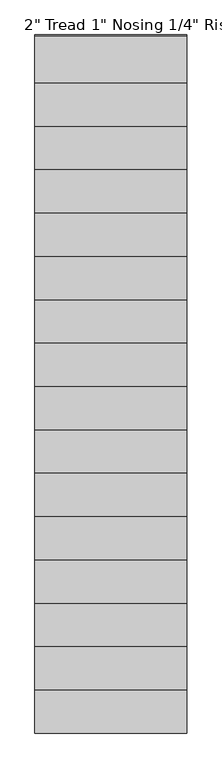
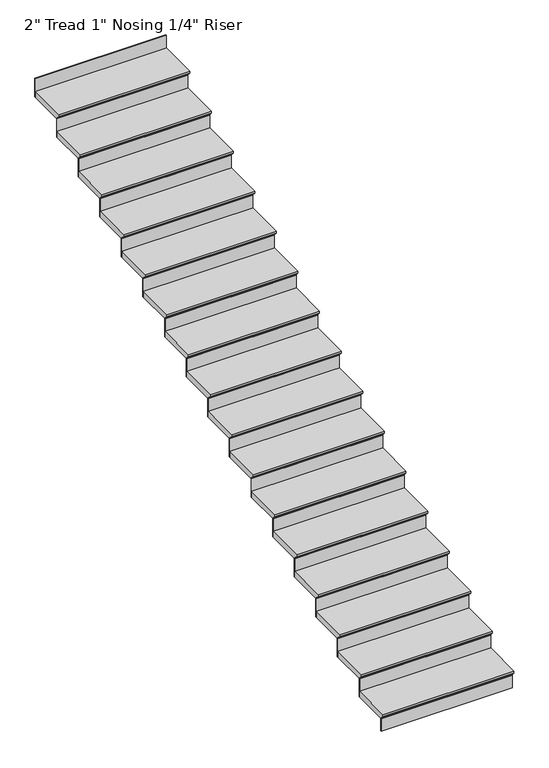
"""IFC4 building model written with IfcOpenShell, lengths in millimetres: stair flight geometry."""

from ifc_helpers import new_model, si_unit, frame, origin, origin_with_axes, place, context, project, spatial, polyline, outline, extrude, source, transform, mapped, element, save


def stair_flight_805ff82e(model_context):
    return source(origin(), model_context, "Body", "SweptSolid", [
        extrude(outline(polyline([(2301.2531107, 159.4555556), (2631.4531107, 159.4555556), (2631.4531107, 108.6555556), (2326.6531107, 108.6555556), (2326.6531107, 115.0055556), (2301.2531107, 140.4055556), (2301.2531107, 159.4555556)])), frame((33581.6811148, 0.0, 0.0), z_axis=(1.0, 0.0, 0.0), x_axis=(0.0, 1.0, 0.0)), (0.0, 0.0, 1.0), 1066.8),
        extrude(outline(polyline([(34648.4811148, 2333.0031107), (34648.4811148, 2326.6531107), (33581.6811148, 2326.6531107), (33581.6811148, 2333.0031107), (34648.4811148, 2333.0031107)])), origin_with_axes(), (0.0, 0.0, 1.0), 108.6555556),
        extrude(outline(polyline([(34648.4811148, 2637.8031107), (34648.4811148, 2631.4531107), (33581.6811148, 2631.4531107), (33581.6811148, 2637.8031107), (34648.4811148, 2637.8031107)])), frame((0.0, 0.0, 108.6555556), z_axis=(0.0, 0.0, 1.0), x_axis=(1.0, 0.0, 0.0)), (0.0, 0.0, 1.0), 159.4555556),
        extrude(outline(polyline([(2606.0531107, 318.9111111), (2936.2531107, 318.9111111), (2936.2531107, 268.1111111), (2631.4531107, 268.1111111), (2631.4531107, 274.4611111), (2606.0531107, 299.8611111), (2606.0531107, 318.9111111)])), frame((33581.6811148, 0.0, 0.0), z_axis=(1.0, 0.0, 0.0), x_axis=(0.0, 1.0, 0.0)), (0.0, 0.0, 1.0), 1066.8),
        extrude(outline(polyline([(34648.4811148, 2942.6031107), (34648.4811148, 2936.2531107), (33581.6811148, 2936.2531107), (33581.6811148, 2942.6031107), (34648.4811148, 2942.6031107)])), frame((0.0, 0.0, 268.1111111), z_axis=(0.0, 0.0, 1.0), x_axis=(1.0, 0.0, 0.0)), (0.0, 0.0, 1.0), 159.4555556),
        extrude(outline(polyline([(2910.8531107, 478.3666667), (3241.0531107, 478.3666667), (3241.0531107, 427.5666667), (2936.2531107, 427.5666667), (2936.2531107, 433.9166667), (2910.8531107, 459.3166667), (2910.8531107, 478.3666667)])), frame((33581.6811148, 0.0, 0.0), z_axis=(1.0, 0.0, 0.0), x_axis=(0.0, 1.0, 0.0)), (0.0, 0.0, 1.0), 1066.8),
        extrude(outline(polyline([(34648.4811148, 3247.4031107), (34648.4811148, 3241.0531107), (33581.6811148, 3241.0531107), (33581.6811148, 3247.4031107), (34648.4811148, 3247.4031107)])), frame((0.0, 0.0, 427.5666667), z_axis=(0.0, 0.0, 1.0), x_axis=(1.0, 0.0, 0.0)), (0.0, 0.0, 1.0), 159.4555556),
        extrude(outline(polyline([(3215.6531107, 637.8222222), (3545.8531107, 637.8222222), (3545.8531107, 587.0222222), (3241.0531107, 587.0222222), (3241.0531107, 593.3722222), (3215.6531107, 618.7722222), (3215.6531107, 637.8222222)])), frame((33581.6811148, 0.0, 0.0), z_axis=(1.0, 0.0, 0.0), x_axis=(0.0, 1.0, 0.0)), (0.0, 0.0, 1.0), 1066.8),
        extrude(outline(polyline([(34648.4811148, 3552.2031107), (34648.4811148, 3545.8531107), (33581.6811148, 3545.8531107), (33581.6811148, 3552.2031107), (34648.4811148, 3552.2031107)])), frame((0.0, 0.0, 587.0222222), z_axis=(0.0, 0.0, 1.0), x_axis=(1.0, 0.0, 0.0)), (0.0, 0.0, 1.0), 159.4555556),
        extrude(outline(polyline([(3520.4531107, 797.2777778), (3850.6531107, 797.2777778), (3850.6531107, 746.4777778), (3545.8531107, 746.4777778), (3545.8531107, 752.8277778), (3520.4531107, 778.2277778), (3520.4531107, 797.2777778)])), frame((33581.6811148, 0.0, 0.0), z_axis=(1.0, 0.0, 0.0), x_axis=(0.0, 1.0, 0.0)), (0.0, 0.0, 1.0), 1066.8),
        extrude(outline(polyline([(34648.4811148, 3857.0031107), (34648.4811148, 3850.6531107), (33581.6811148, 3850.6531107), (33581.6811148, 3857.0031107), (34648.4811148, 3857.0031107)])), frame((0.0, 0.0, 746.4777778), z_axis=(0.0, 0.0, 1.0), x_axis=(1.0, 0.0, 0.0)), (0.0, 0.0, 1.0), 159.4555556),
        extrude(outline(polyline([(3825.2531107, 956.7333333), (4155.4531107, 956.7333333), (4155.4531107, 905.9333333), (3850.6531107, 905.9333333), (3850.6531107, 912.2833333), (3825.2531107, 937.6833333), (3825.2531107, 956.7333333)])), frame((33581.6811148, 0.0, 0.0), z_axis=(1.0, 0.0, 0.0), x_axis=(0.0, 1.0, 0.0)), (0.0, 0.0, 1.0), 1066.8),
        extrude(outline(polyline([(34648.4811148, 4161.8031107), (34648.4811148, 4155.4531107), (33581.6811148, 4155.4531107), (33581.6811148, 4161.8031107), (34648.4811148, 4161.8031107)])), frame((0.0, 0.0, 905.9333333), z_axis=(0.0, 0.0, 1.0), x_axis=(1.0, 0.0, 0.0)), (0.0, 0.0, 1.0), 159.4555556),
        extrude(outline(polyline([(4130.0531107, 1116.1888889), (4460.2531107, 1116.1888889), (4460.2531107, 1065.3888889), (4155.4531107, 1065.3888889), (4155.4531107, 1071.7388889), (4130.0531107, 1097.1388889), (4130.0531107, 1116.1888889)])), frame((33581.6811148, 0.0, 0.0), z_axis=(1.0, 0.0, 0.0), x_axis=(0.0, 1.0, 0.0)), (0.0, 0.0, 1.0), 1066.8),
        extrude(outline(polyline([(34648.4811148, 4466.6031107), (34648.4811148, 4460.2531107), (33581.6811148, 4460.2531107), (33581.6811148, 4466.6031107), (34648.4811148, 4466.6031107)])), frame((0.0, 0.0, 1065.3888889), z_axis=(0.0, 0.0, 1.0), x_axis=(1.0, 0.0, 0.0)), (0.0, 0.0, 1.0), 159.4555556),
        extrude(outline(polyline([(4434.8531107, 1275.6444444), (4765.0531107, 1275.6444444), (4765.0531107, 1224.8444444), (4460.2531107, 1224.8444444), (4460.2531107, 1231.1944444), (4434.8531107, 1256.5944444), (4434.8531107, 1275.6444444)])), frame((33581.6811148, 0.0, 0.0), z_axis=(1.0, 0.0, 0.0), x_axis=(0.0, 1.0, 0.0)), (0.0, 0.0, 1.0), 1066.8),
        extrude(outline(polyline([(34648.4811148, 4771.4031107), (34648.4811148, 4765.0531107), (33581.6811148, 4765.0531107), (33581.6811148, 4771.4031107), (34648.4811148, 4771.4031107)])), frame((0.0, 0.0, 1224.8444444), z_axis=(0.0, 0.0, 1.0), x_axis=(1.0, 0.0, 0.0)), (0.0, 0.0, 1.0), 159.4555556),
        extrude(outline(polyline([(4739.6531107, 1435.1), (5069.8531107, 1435.1), (5069.8531107, 1384.3), (4765.0531107, 1384.3), (4765.0531107, 1390.65), (4739.6531107, 1416.05), (4739.6531107, 1435.1)])), frame((33581.6811148, 0.0, 0.0), z_axis=(1.0, 0.0, 0.0), x_axis=(0.0, 1.0, 0.0)), (0.0, 0.0, 1.0), 1066.8),
        extrude(outline(polyline([(34648.4811148, 5076.2031107), (34648.4811148, 5069.8531107), (33581.6811148, 5069.8531107), (33581.6811148, 5076.2031107), (34648.4811148, 5076.2031107)])), frame((0.0, 0.0, 1384.3), z_axis=(0.0, 0.0, 1.0), x_axis=(1.0, 0.0, 0.0)), (0.0, 0.0, 1.0), 159.4555556),
        extrude(outline(polyline([(5044.4531107, 1594.5555556), (5374.6531107, 1594.5555556), (5374.6531107, 1543.7555556), (5069.8531107, 1543.7555556), (5069.8531107, 1550.1055556), (5044.4531107, 1575.5055556), (5044.4531107, 1594.5555556)])), frame((33581.6811148, 0.0, 0.0), z_axis=(1.0, 0.0, 0.0), x_axis=(0.0, 1.0, 0.0)), (0.0, 0.0, 1.0), 1066.8),
        extrude(outline(polyline([(34648.4811148, 5381.0031107), (34648.4811148, 5374.6531107), (33581.6811148, 5374.6531107), (33581.6811148, 5381.0031107), (34648.4811148, 5381.0031107)])), frame((0.0, 0.0, 1543.7555556), z_axis=(0.0, 0.0, 1.0), x_axis=(1.0, 0.0, 0.0)), (0.0, 0.0, 1.0), 159.4555556),
        extrude(outline(polyline([(5349.2531107, 1754.0111111), (5679.4531107, 1754.0111111), (5679.4531107, 1703.2111111), (5374.6531107, 1703.2111111), (5374.6531107, 1709.5611111), (5349.2531107, 1734.9611111), (5349.2531107, 1754.0111111)])), frame((33581.6811148, 0.0, 0.0), z_axis=(1.0, 0.0, 0.0), x_axis=(0.0, 1.0, 0.0)), (0.0, 0.0, 1.0), 1066.8),
        extrude(outline(polyline([(34648.4811148, 5685.8031107), (34648.4811148, 5679.4531107), (33581.6811148, 5679.4531107), (33581.6811148, 5685.8031107), (34648.4811148, 5685.8031107)])), frame((0.0, 0.0, 1703.2111111), z_axis=(0.0, 0.0, 1.0), x_axis=(1.0, 0.0, 0.0)), (0.0, 0.0, 1.0), 159.4555556),
        extrude(outline(polyline([(5654.0531107, 1913.4666667), (5984.2531107, 1913.4666667), (5984.2531107, 1862.6666667), (5679.4531107, 1862.6666667), (5679.4531107, 1869.0166667), (5654.0531107, 1894.4166667), (5654.0531107, 1913.4666667)])), frame((33581.6811148, 0.0, 0.0), z_axis=(1.0, 0.0, 0.0), x_axis=(0.0, 1.0, 0.0)), (0.0, 0.0, 1.0), 1066.8),
        extrude(outline(polyline([(34648.4811148, 5990.6031107), (34648.4811148, 5984.2531107), (33581.6811148, 5984.2531107), (33581.6811148, 5990.6031107), (34648.4811148, 5990.6031107)])), frame((0.0, 0.0, 1862.6666667), z_axis=(0.0, 0.0, 1.0), x_axis=(1.0, 0.0, 0.0)), (0.0, 0.0, 1.0), 159.4555556),
        extrude(outline(polyline([(5958.8531107, 2072.9222222), (6289.0531107, 2072.9222222), (6289.0531107, 2022.1222222), (5984.2531107, 2022.1222222), (5984.2531107, 2028.4722222), (5958.8531107, 2053.8722222), (5958.8531107, 2072.9222222)])), frame((33581.6811148, 0.0, 0.0), z_axis=(1.0, 0.0, 0.0), x_axis=(0.0, 1.0, 0.0)), (0.0, 0.0, 1.0), 1066.8),
        extrude(outline(polyline([(34648.4811148, 6295.4031107), (34648.4811148, 6289.0531107), (33581.6811148, 6289.0531107), (33581.6811148, 6295.4031107), (34648.4811148, 6295.4031107)])), frame((0.0, 0.0, 2022.1222222), z_axis=(0.0, 0.0, 1.0), x_axis=(1.0, 0.0, 0.0)), (0.0, 0.0, 1.0), 159.4555556),
        extrude(outline(polyline([(6263.6531107, 2232.3777778), (6593.8531107, 2232.3777778), (6593.8531107, 2181.5777778), (6289.0531107, 2181.5777778), (6289.0531107, 2187.9277778), (6263.6531107, 2213.3277778), (6263.6531107, 2232.3777778)])), frame((33581.6811148, 0.0, 0.0), z_axis=(1.0, 0.0, 0.0), x_axis=(0.0, 1.0, 0.0)), (0.0, 0.0, 1.0), 1066.8),
        extrude(outline(polyline([(34648.4811148, 6600.2031107), (34648.4811148, 6593.8531107), (33581.6811148, 6593.8531107), (33581.6811148, 6600.2031107), (34648.4811148, 6600.2031107)])), frame((0.0, 0.0, 2181.5777778), z_axis=(0.0, 0.0, 1.0), x_axis=(1.0, 0.0, 0.0)), (0.0, 0.0, 1.0), 159.4555556),
        extrude(outline(polyline([(6568.4531107, 2391.8333333), (6898.6531107, 2391.8333333), (6898.6531107, 2341.0333333), (6593.8531107, 2341.0333333), (6593.8531107, 2347.3833333), (6568.4531107, 2372.7833333), (6568.4531107, 2391.8333333)])), frame((33581.6811148, 0.0, 0.0), z_axis=(1.0, 0.0, 0.0), x_axis=(0.0, 1.0, 0.0)), (0.0, 0.0, 1.0), 1066.8),
        extrude(outline(polyline([(34648.4811148, 6905.0031107), (34648.4811148, 6898.6531107), (33581.6811148, 6898.6531107), (33581.6811148, 6905.0031107), (34648.4811148, 6905.0031107)])), frame((0.0, 0.0, 2341.0333333), z_axis=(0.0, 0.0, 1.0), x_axis=(1.0, 0.0, 0.0)), (0.0, 0.0, 1.0), 159.4555556),
        extrude(outline(polyline([(34648.4811148, 7209.8031107), (34648.4811148, 7203.4531107), (33581.6811148, 7203.4531107), (33581.6811148, 7209.8031107), (34648.4811148, 7209.8031107)])), frame((0.0, 0.0, 2500.4888889), z_axis=(0.0, 0.0, 1.0), x_axis=(1.0, 0.0, 0.0)), (0.0, 0.0, 1.0), 159.4555556),
        extrude(outline(polyline([(6873.2531107, 2551.2888889), (7203.4531107, 2551.2888889), (7203.4531107, 2500.4888889), (6898.6531107, 2500.4888889), (6898.6531107, 2506.8388889), (6873.2531107, 2532.2388889), (6873.2531107, 2551.2888889)])), frame((33581.6811148, 0.0, 0.0), z_axis=(1.0, 0.0, 0.0), x_axis=(0.0, 1.0, 0.0)), (0.0, 0.0, 1.0), 1066.8),
    ])


if __name__ == "__main__":
    model = new_model("IFC4")
    model_context = context("Model", 3, world=origin())
    ifc_project = project(units=[si_unit("LENGTHUNIT", "METRE", prefix="MILLI")], contexts=[model_context])
    site = spatial("IfcSite", under=ifc_project)
    building = spatial("IfcBuilding", under=site)
    placement = place(None, origin())
    stair_flight_shape = stair_flight_805ff82e(model_context)
    element("IfcStairFlight", 1, ObjectType="2\" Tread 1\" Nosing 1/4\" Riser", at=placement, inside=building, context=model_context, shape_type="MappedRepresentation", body=[
        mapped(stair_flight_shape, transform((0.0, 0.0, 0.0), x_axis=(1.0, 0.0, 0.0), y_axis=(0.0, 1.0, 0.0), z_axis=(0.0, 0.0, 1.0))),
    ])
    save(model, "model.ifc")
